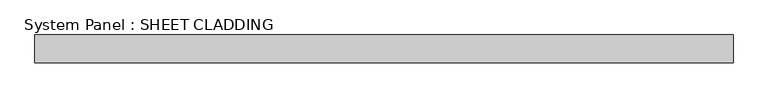
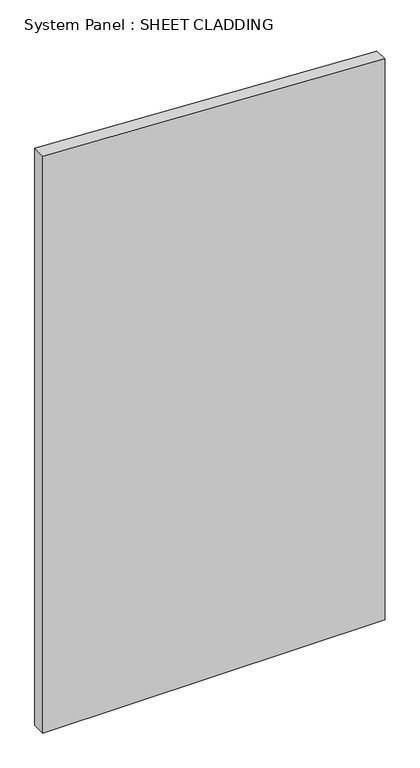
"""IFC4 building model written with IfcOpenShell, lengths in millimetres: plate geometry, System Panel : SHEET CLADDING."""

from ifc_helpers import new_model, si_unit, frame, origin, place, context, project, spatial, polyline, outline, extrude, source, transform, mapped, element, save


def system_panel_sheet_cladding_369bc51f(model_context):
    return source(origin(), model_context, "Body", "SweptSolid", [
        extrude(outline(polyline([(0.0, -750.0), (0.0, 750.0), (2597.5, 750.0), (2672.5, -750.0), (0.0, -750.0)])), frame((0.0, -10.5, 0.0), z_axis=(0.0, 1.0, 0.0), x_axis=(0.0, 0.0, 1.0)), (0.0, 0.0, 1.0), 60.0),
    ])


if __name__ == "__main__":
    model = new_model("IFC4")
    model_context = context("Model", 3, world=origin())
    ifc_project = project(units=[si_unit("LENGTHUNIT", "METRE", prefix="MILLI")], contexts=[model_context])
    site = spatial("IfcSite", under=ifc_project)
    building = spatial("IfcBuilding", under=site)
    placement = place(None, origin())
    system_panel_sheet_cladding_shape = system_panel_sheet_cladding_369bc51f(model_context)
    element("IfcPlate", 1, ObjectType="System Panel : SHEET CLADDING", at=placement, inside=building, context=model_context, shape_type="MappedRepresentation", body=[
        mapped(system_panel_sheet_cladding_shape, transform((0.0, 0.0, 0.0), x_axis=(1.0, 0.0, 0.0), y_axis=(0.0, 1.0, 0.0), z_axis=(0.0, 0.0, 1.0))),
    ])
    save(model, "model.ifc")
